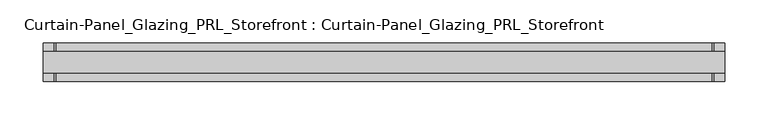
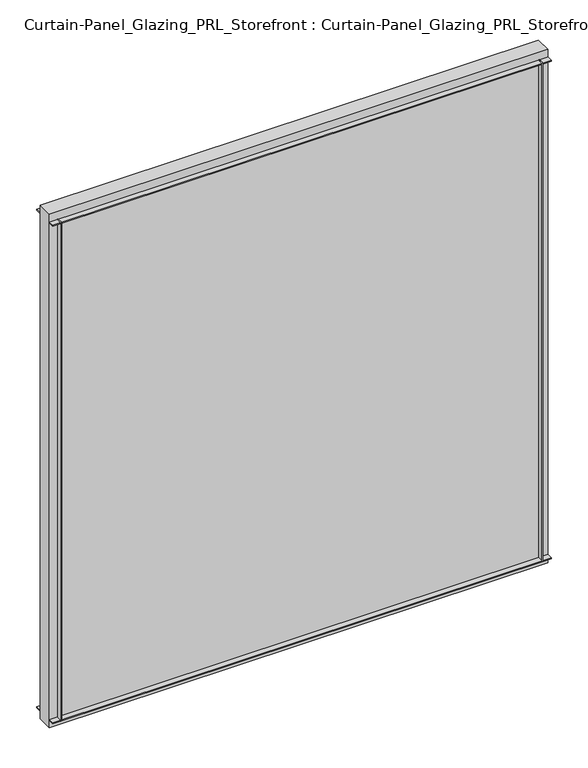
"""IFC4 building model written with IfcOpenShell, lengths in millimetres: plate geometry, Curtain-Panel_Glazing_PRL_Storefront : Curtain-Panel_Glazing_PRL_Storefront."""

from ifc_helpers import new_model, si_unit, frame, origin, origin_with_axes, place, context, project, spatial, polyline, outline, extrude, source, transform, mapped, element, save


def curtain_panel_glazing_prl_storefront_curtain_panel_glazing_a268e726(model_context):
    return source(origin(), model_context, "Body", "SweptSolid", [
        extrude(outline(polyline([(381.0, -22.225), (379.4125, -22.225), (379.4125, -12.7), (381.0, -12.7), (381.0, -22.225)])), frame((0.0, 0.0, 12.7), z_axis=(0.0, 0.0, 1.0), x_axis=(1.0, 0.0, 0.0)), (0.0, 0.0, 1.0), 831.85),
        extrude(outline(polyline([(381.0, 22.225), (381.0, 12.7), (379.4125, 12.7), (379.4125, 22.225), (381.0, 22.225)])), frame((0.0, 0.0, 12.7), z_axis=(0.0, 0.0, 1.0), x_axis=(1.0, 0.0, 0.0)), (0.0, 0.0, 1.0), 831.85),
        extrude(outline(polyline([(-381.0, -22.225), (-381.0, -12.7), (-379.4125, -12.7), (-379.4125, -22.225), (-381.0, -22.225)])), frame((0.0, 0.0, 12.7), z_axis=(0.0, 0.0, 1.0), x_axis=(1.0, 0.0, 0.0)), (0.0, 0.0, 1.0), 831.85),
        extrude(outline(polyline([(-381.0, 22.225), (-379.4125, 22.225), (-379.4125, 12.7), (-381.0, 12.7), (-381.0, 22.225)])), frame((0.0, 0.0, 12.7), z_axis=(0.0, 0.0, 1.0), x_axis=(1.0, 0.0, 0.0)), (0.0, 0.0, 1.0), 831.85),
        extrude(outline(polyline([(393.7, 12.7), (393.7, -12.7), (-393.7, -12.7), (-393.7, 12.7), (393.7, 12.7)])), origin_with_axes(), (0.0, 0.0, 1.0), 857.25),
        extrude(outline(polyline([(-393.7, -22.225), (-393.7, -12.7), (393.7, -12.7), (393.7, -22.225), (-393.7, -22.225)])), frame((0.0, 0.0, 842.9625), z_axis=(0.0, 0.0, 1.0), x_axis=(1.0, 0.0, 0.0)), (0.0, 0.0, 1.0), 1.5875),
        extrude(outline(polyline([(-393.7, 22.225), (393.7, 22.225), (393.7, 12.7), (-393.7, 12.7), (-393.7, 22.225)])), frame((0.0, 0.0, 842.9625), z_axis=(0.0, 0.0, 1.0), x_axis=(1.0, 0.0, 0.0)), (0.0, 0.0, 1.0), 1.5875),
        extrude(outline(polyline([(-393.7, -22.225), (-393.7, -12.7), (393.7, -12.7), (393.7, -22.225), (-393.7, -22.225)])), frame((0.0, 0.0, 12.7), z_axis=(0.0, 0.0, 1.0), x_axis=(1.0, 0.0, 0.0)), (0.0, 0.0, 1.0), 1.5875),
        extrude(outline(polyline([(-393.7, 22.225), (393.7, 22.225), (393.7, 12.7), (-393.7, 12.7), (-393.7, 22.225)])), frame((0.0, 0.0, 12.7), z_axis=(0.0, 0.0, 1.0), x_axis=(1.0, 0.0, 0.0)), (0.0, 0.0, 1.0), 1.5875),
    ])


if __name__ == "__main__":
    model = new_model("IFC4")
    model_context = context("Model", 3, world=origin())
    ifc_project = project(units=[si_unit("LENGTHUNIT", "METRE", prefix="MILLI")], contexts=[model_context])
    site = spatial("IfcSite", under=ifc_project)
    building = spatial("IfcBuilding", under=site)
    placement = place(None, origin())
    curtain_panel_glazing_prl_storefront_curtain_panel_glazing_shape = curtain_panel_glazing_prl_storefront_curtain_panel_glazing_a268e726(model_context)
    element("IfcPlate", 1, ObjectType="Curtain-Panel_Glazing_PRL_Storefront : Curtain-Panel_Glazing_PRL_Storefront", at=placement, inside=building, context=model_context, shape_type="MappedRepresentation", body=[
        mapped(curtain_panel_glazing_prl_storefront_curtain_panel_glazing_shape, transform((0.0, 0.0, 0.0), x_axis=(1.0, 0.0, 0.0), y_axis=(0.0, 1.0, 0.0), z_axis=(0.0, 0.0, 1.0))),
    ])
    save(model, "model.ifc")
